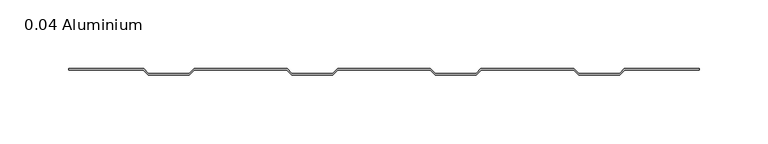
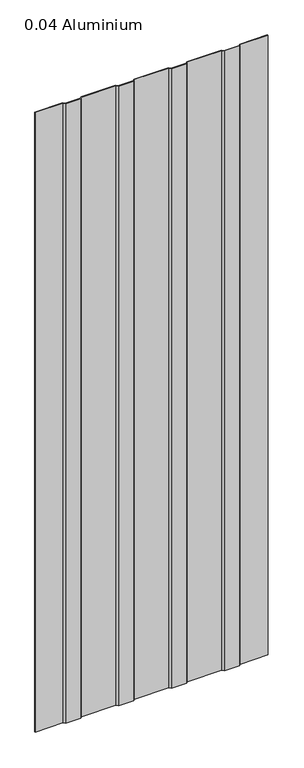
"""IFC4 building model written with IfcOpenShell, lengths in millimetres: plate geometry, 0.04 Aluminium."""

from ifc_helpers import new_model, si_unit, origin, origin_with_axes, place, context, project, spatial, polyline, outline, extrude, source, transform, mapped, element, save


def plate_0_04_aluminium_7b209127(model_context):
    return source(origin(), model_context, "Body", "SweptSolid", [
        extrude(outline(polyline([(33.654793, 0.0), (-33.654793, 0.0), (-37.203173, -3.54838), (-66.870787, -3.54838), (-70.419167, 0.0), (-137.728753, 0.0), (-141.277133, -3.54838), (-170.944747, -3.54838), (-174.493127, 0.0), (-228.6, 0.0), (-228.6, 1.016), (-174.42942, 1.016), (-170.88104, -2.53238), (-141.34084, -2.53238), (-137.79246, 1.016), (-70.35546, 1.016), (-66.80708, -2.53238), (-37.26688, -2.53238), (-33.7185, 1.016), (33.7185, 1.016), (37.26688, -2.53238), (66.80708, -2.53238), (70.35546, 1.016), (137.79246, 1.016), (141.34084, -2.53238), (170.88104, -2.53238), (174.42942, 1.016), (228.6, 1.016), (228.6, 0.0), (174.493127, 0.0), (170.944747, -3.54838), (141.277133, -3.54838), (137.728753, 0.0), (70.419167, 0.0), (66.870787, -3.54838), (37.203173, -3.54838), (33.654793, 0.0)])), origin_with_axes(), (0.0, 0.0, 1.0), 1285.875),
    ])


if __name__ == "__main__":
    model = new_model("IFC4")
    model_context = context("Model", 3, world=origin())
    ifc_project = project(units=[si_unit("LENGTHUNIT", "METRE", prefix="MILLI")], contexts=[model_context])
    site = spatial("IfcSite", under=ifc_project)
    building = spatial("IfcBuilding", under=site)
    placement = place(None, origin())
    plate_0_04_aluminium_shape = plate_0_04_aluminium_7b209127(model_context)
    element("IfcPlate", 1, ObjectType="0.04 Aluminium", at=placement, inside=building, context=model_context, shape_type="MappedRepresentation", body=[
        mapped(plate_0_04_aluminium_shape, transform((0.0, 0.0, 0.0), x_axis=(1.0, 0.0, 0.0), y_axis=(0.0, 1.0, 0.0), z_axis=(0.0, 0.0, 1.0))),
    ])
    save(model, "model.ifc")
